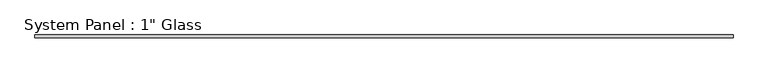
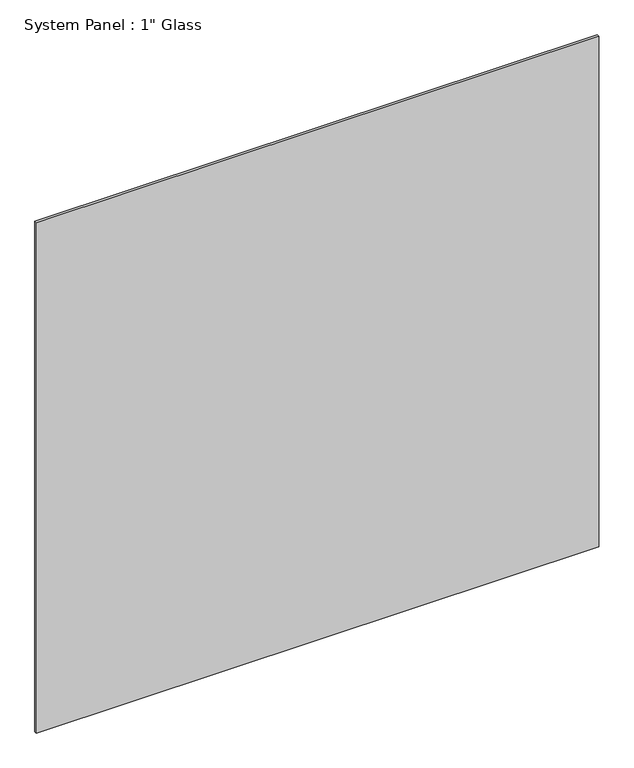
"""IFC4 building model written with IfcOpenShell, lengths in millimetres: plate geometry."""

from ifc_helpers import new_model, si_unit, origin, origin_with_axes, place, context, project, spatial, polyline, outline, extrude, source, transform, mapped, element, save


def plate_721e14f6(model_context):
    return source(origin(), model_context, "Body", "SweptSolid", [
        extrude(outline(polyline([(724.69375, -12.7), (-724.69375, -12.7), (-724.69375, -6.35), (724.69375, -6.35), (724.69375, -12.7)])), origin_with_axes(), (0.0, 0.0, 1.0), 1390.6459335),
    ])


if __name__ == "__main__":
    model = new_model("IFC4")
    model_context = context("Model", 3, world=origin())
    ifc_project = project(units=[si_unit("LENGTHUNIT", "METRE", prefix="MILLI")], contexts=[model_context])
    site = spatial("IfcSite", under=ifc_project)
    building = spatial("IfcBuilding", under=site)
    placement = place(None, origin())
    plate_shape = plate_721e14f6(model_context)
    element("IfcPlate", 1, ObjectType="System Panel : 1\" Glass", at=placement, inside=building, context=model_context, shape_type="MappedRepresentation", body=[
        mapped(plate_shape, transform((0.0, 0.0, 0.0), x_axis=(1.0, 0.0, 0.0), y_axis=(0.0, 1.0, 0.0), z_axis=(0.0, 0.0, 1.0))),
    ])
    save(model, "model.ifc")
